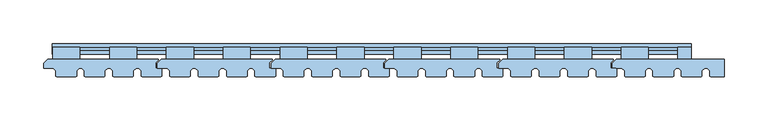
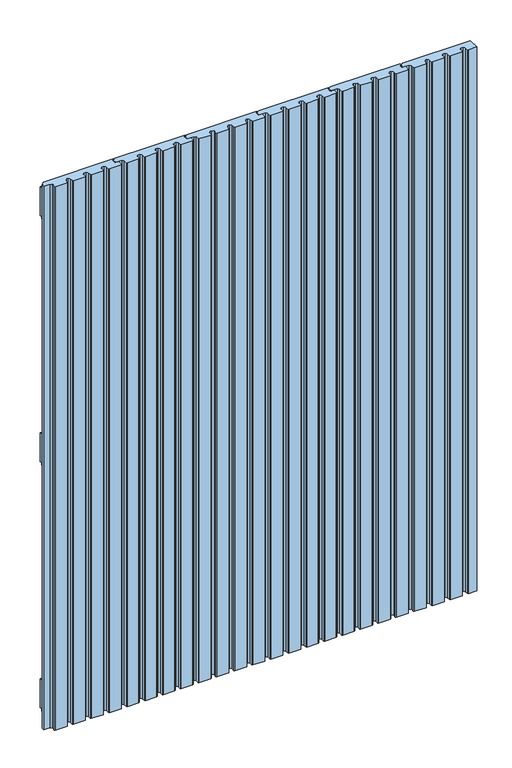
"""IFC4 building model written with IfcOpenShell, lengths in millimetres: window geometry."""

from ifc_helpers import new_model, si_unit, frame, origin, place, context, project, spatial, polyline, outline, extrude, source, transform, mapped, element, save


def window_a2ed0726(model_context):
    return source(origin(), model_context, "Body", "SweptSolid", [
        extrude(outline(polyline([(210.0, -73.0), (207.0, -70.0), (196.0, -70.0), (196.0, -64.5), (200.5, -60.0), (327.1, -60.0), (327.1, -60.9), (324.0, -64.0), (324.0, -70.0), (330.0, -70.0), (331.0, -71.0), (331.0, -79.0), (330.0, -80.0), (308.5, -80.0), (307.5, -79.0), (307.5, -73.0), (304.5, -70.0), (301.5, -70.0), (298.5, -73.0), (298.5, -79.0), (297.5, -80.0), (276.0, -80.0), (275.0, -79.0), (275.0, -73.0), (272.0, -70.0), (269.0, -70.0), (266.0, -73.0), (266.0, -79.0), (265.0, -80.0), (243.5, -80.0), (242.5, -79.0), (242.5, -73.0), (239.5, -70.0), (236.5, -70.0), (233.5, -73.0), (233.5, -79.0), (232.5, -80.0), (211.0, -80.0), (210.0, -79.0), (210.0, -73.0)])), frame((0.0, 0.0, 100.0), z_axis=(0.0, 0.0, 1.0), x_axis=(1.0, 0.0, 0.0)), (0.0, 0.0, 1.0), 1041.0),
        extrude(outline(polyline([(80.0, -73.0), (77.0, -70.0), (66.0, -70.0), (66.0, -64.5), (70.5, -60.0), (197.1, -60.0), (197.1, -60.9), (194.0, -64.0), (194.0, -70.0), (200.0, -70.0), (201.0, -71.0), (201.0, -79.0), (200.0, -80.0), (178.5, -80.0), (177.5, -79.0), (177.5, -73.0), (174.5, -70.0), (171.5, -70.0), (168.5, -73.0), (168.5, -79.0), (167.5, -80.0), (146.0, -80.0), (145.0, -79.0), (145.0, -73.0), (142.0, -70.0), (139.0, -70.0), (136.0, -73.0), (136.0, -79.0), (135.0, -80.0), (113.5, -80.0), (112.5, -79.0), (112.5, -73.0), (109.5, -70.0), (106.5, -70.0), (103.5, -73.0), (103.5, -79.0), (102.5, -80.0), (81.0, -80.0), (80.0, -79.0), (80.0, -73.0)])), frame((0.0, 0.0, 100.0), z_axis=(0.0, 0.0, 1.0), x_axis=(1.0, 0.0, 0.0)), (0.0, 0.0, 1.0), 1041.0),
        extrude(outline(polyline([(-50.0, -73.0), (-53.0, -70.0), (-64.0, -70.0), (-64.0, -64.5), (-59.5, -60.0), (67.1, -60.0), (67.1, -60.9), (64.0, -64.0), (64.0, -70.0), (70.0, -70.0), (71.0, -71.0), (71.0, -79.0), (70.0, -80.0), (48.5, -80.0), (47.5, -79.0), (47.5, -73.0), (44.5, -70.0), (41.5, -70.0), (38.5, -73.0), (38.5, -79.0), (37.5, -80.0), (16.0, -80.0), (15.0, -79.0), (15.0, -73.0), (12.0, -70.0), (9.0, -70.0), (6.0, -73.0), (6.0, -79.0), (5.0, -80.0), (-16.5, -80.0), (-17.5, -79.0), (-17.5, -73.0), (-20.5, -70.0), (-23.5, -70.0), (-26.5, -73.0), (-26.5, -79.0), (-27.5, -80.0), (-49.0, -80.0), (-50.0, -79.0), (-50.0, -73.0)])), frame((0.0, 0.0, 100.0), z_axis=(0.0, 0.0, 1.0), x_axis=(1.0, 0.0, 0.0)), (0.0, 0.0, 1.0), 1041.0),
        extrude(outline(polyline([(-180.0, -73.0), (-183.0, -70.0), (-194.0, -70.0), (-194.0, -64.5), (-189.5, -60.0), (-62.9, -60.0), (-62.9, -60.9), (-66.0, -64.0), (-66.0, -70.0), (-60.0, -70.0), (-59.0, -71.0), (-59.0, -79.0), (-60.0, -80.0), (-81.5, -80.0), (-82.5, -79.0), (-82.5, -73.0), (-85.5, -70.0), (-88.5, -70.0), (-91.5, -73.0), (-91.5, -79.0), (-92.5, -80.0), (-114.0, -80.0), (-115.0, -79.0), (-115.0, -73.0), (-118.0, -70.0), (-121.0, -70.0), (-124.0, -73.0), (-124.0, -79.0), (-125.0, -80.0), (-146.5, -80.0), (-147.5, -79.0), (-147.5, -73.0), (-150.5, -70.0), (-153.5, -70.0), (-156.5, -73.0), (-156.5, -79.0), (-157.5, -80.0), (-179.0, -80.0), (-180.0, -79.0), (-180.0, -73.0)])), frame((0.0, 0.0, 100.0), z_axis=(0.0, 0.0, 1.0), x_axis=(1.0, 0.0, 0.0)), (0.0, 0.0, 1.0), 1041.0),
        extrude(outline(polyline([(340.0, -73.0), (337.0, -70.0), (326.0, -70.0), (326.0, -64.5), (330.5, -60.0), (454.0, -60.0), (454.0, -80.0), (438.5, -80.0), (437.5, -79.0), (437.5, -73.0), (434.5, -70.0), (431.5, -70.0), (428.5, -73.0), (428.5, -79.0), (427.5, -80.0), (406.0, -80.0), (405.0, -79.0), (405.0, -73.0), (402.0, -70.0), (399.0, -70.0), (396.0, -73.0), (396.0, -79.0), (395.0, -80.0), (373.5, -80.0), (372.5, -79.0), (372.5, -73.0), (369.5, -70.0), (366.5, -70.0), (363.5, -73.0), (363.5, -79.0), (362.5, -80.0), (341.0, -80.0), (340.0, -79.0), (340.0, -73.0)])), frame((0.0, 0.0, 100.0), z_axis=(0.0, 0.0, 1.0), x_axis=(1.0, 0.0, 0.0)), (0.0, 0.0, 1.0), 1041.0),
        extrude(outline(polyline([(-310.0, -73.0), (-313.0, -70.0), (-324.0, -70.0), (-324.0, -64.5), (-319.5, -60.0), (-192.9, -60.0), (-192.9, -60.9), (-196.0, -64.0), (-196.0, -70.0), (-190.0, -70.0), (-189.0, -71.0), (-189.0, -79.0), (-190.0, -80.0), (-211.5, -80.0), (-212.5, -79.0), (-212.5, -73.0), (-215.5, -70.0), (-218.5, -70.0), (-221.5, -73.0), (-221.5, -79.0), (-222.5, -80.0), (-244.0, -80.0), (-245.0, -79.0), (-245.0, -73.0), (-248.0, -70.0), (-251.0, -70.0), (-254.0, -73.0), (-254.0, -79.0), (-255.0, -80.0), (-276.5, -80.0), (-277.5, -79.0), (-277.5, -73.0), (-280.5, -70.0), (-283.5, -70.0), (-286.5, -73.0), (-286.5, -79.0), (-287.5, -80.0), (-309.0, -80.0), (-310.0, -79.0), (-310.0, -73.0)])), frame((0.0, 0.0, 100.0), z_axis=(0.0, 0.0, 1.0), x_axis=(1.0, 0.0, 0.0)), (0.0, 0.0, 1.0), 1041.0),
        extrude(outline(polyline([(-54.1, 648.0936804), (-54.1, 592.9063196), (-49.9, 592.9063196), (-49.9, 596.9063196), (-46.1, 596.9063196), (-46.1, 589.0), (-60.0, 589.0), (-60.0, 652.0), (-46.1, 652.0), (-46.1, 644.0936804), (-49.9, 644.0936804), (-49.9, 648.0936804), (-54.1, 648.0936804)])), frame((206.3, 0.0, 0.0), z_axis=(1.0, 0.0, 0.0), x_axis=(0.0, 1.0, 0.0)), (0.0, 0.0, 1.0), 31.0),
        extrude(outline(polyline([(-54.0, 1063.9063196), (-49.8, 1063.9063196), (-49.8, 1067.9063196), (-46.0, 1067.9063196), (-46.0, 1060.0), (-59.9, 1060.0), (-59.9, 1123.0), (-46.0, 1123.0), (-46.0, 1115.0936804), (-49.8, 1115.0936804), (-49.8, 1119.0936804), (-54.0, 1119.0936804), (-54.0, 1063.9063196)])), frame((206.3, 0.0, 0.0), z_axis=(1.0, 0.0, 0.0), x_axis=(0.0, 1.0, 0.0)), (0.0, 0.0, 1.0), 31.0),
        extrude(outline(polyline([(-54.0, 177.0936804), (-54.0, 121.9063196), (-49.8, 121.9063196), (-49.8, 125.9063196), (-46.0, 125.9063196), (-46.0, 118.0), (-59.9, 118.0), (-59.9, 181.0), (-46.0, 181.0), (-46.0, 173.0936804), (-49.8, 173.0936804), (-49.8, 177.0936804), (-54.0, 177.0936804)])), frame((206.3, 0.0, 0.0), z_axis=(1.0, 0.0, 0.0), x_axis=(0.0, 1.0, 0.0)), (0.0, 0.0, 1.0), 31.0),
        extrude(outline(polyline([(-54.1, 648.0936804), (-54.1, 592.9063196), (-49.9, 592.9063196), (-49.9, 596.9063196), (-46.1, 596.9063196), (-46.1, 589.0), (-60.0, 589.0), (-60.0, 652.0), (-46.1, 652.0), (-46.1, 644.0936804), (-49.9, 644.0936804), (-49.9, 648.0936804), (-54.1, 648.0936804)])), frame((271.25, 0.0, 0.0), z_axis=(1.0, 0.0, 0.0), x_axis=(0.0, 1.0, 0.0)), (0.0, 0.0, 1.0), 31.0),
        extrude(outline(polyline([(-54.0, 1063.9063196), (-49.8, 1063.9063196), (-49.8, 1067.9063196), (-46.0, 1067.9063196), (-46.0, 1060.0), (-59.9, 1060.0), (-59.9, 1123.0), (-46.0, 1123.0), (-46.0, 1115.0936804), (-49.8, 1115.0936804), (-49.8, 1119.0936804), (-54.0, 1119.0936804), (-54.0, 1063.9063196)])), frame((271.25, 0.0, 0.0), z_axis=(1.0, 0.0, 0.0), x_axis=(0.0, 1.0, 0.0)), (0.0, 0.0, 1.0), 31.0),
        extrude(outline(polyline([(-54.0, 177.0936804), (-54.0, 121.9063196), (-49.8, 121.9063196), (-49.8, 125.9063196), (-46.0, 125.9063196), (-46.0, 118.0), (-59.9, 118.0), (-59.9, 181.0), (-46.0, 181.0), (-46.0, 173.0936804), (-49.8, 173.0936804), (-49.8, 177.0936804), (-54.0, 177.0936804)])), frame((271.25, 0.0, 0.0), z_axis=(1.0, 0.0, 0.0), x_axis=(0.0, 1.0, 0.0)), (0.0, 0.0, 1.0), 31.0),
        extrude(outline(polyline([(-54.1, 648.0936804), (-54.1, 592.9063196), (-49.9, 592.9063196), (-49.9, 596.9063196), (-46.1, 596.9063196), (-46.1, 589.0), (-60.0, 589.0), (-60.0, 652.0), (-46.1, 652.0), (-46.1, 644.0936804), (-49.9, 644.0936804), (-49.9, 648.0936804), (-54.1, 648.0936804)])), frame((76.3, 0.0, 0.0), z_axis=(1.0, 0.0, 0.0), x_axis=(0.0, 1.0, 0.0)), (0.0, 0.0, 1.0), 31.0),
        extrude(outline(polyline([(-54.0, 1063.9063196), (-49.8, 1063.9063196), (-49.8, 1067.9063196), (-46.0, 1067.9063196), (-46.0, 1060.0), (-59.9, 1060.0), (-59.9, 1123.0), (-46.0, 1123.0), (-46.0, 1115.0936804), (-49.8, 1115.0936804), (-49.8, 1119.0936804), (-54.0, 1119.0936804), (-54.0, 1063.9063196)])), frame((76.3, 0.0, 0.0), z_axis=(1.0, 0.0, 0.0), x_axis=(0.0, 1.0, 0.0)), (0.0, 0.0, 1.0), 31.0),
        extrude(outline(polyline([(-54.0, 177.0936804), (-54.0, 121.9063196), (-49.8, 121.9063196), (-49.8, 125.9063196), (-46.0, 125.9063196), (-46.0, 118.0), (-59.9, 118.0), (-59.9, 181.0), (-46.0, 181.0), (-46.0, 173.0936804), (-49.8, 173.0936804), (-49.8, 177.0936804), (-54.0, 177.0936804)])), frame((76.3, 0.0, 0.0), z_axis=(1.0, 0.0, 0.0), x_axis=(0.0, 1.0, 0.0)), (0.0, 0.0, 1.0), 31.0),
        extrude(outline(polyline([(-54.1, 648.0936804), (-54.1, 592.9063196), (-49.9, 592.9063196), (-49.9, 596.9063196), (-46.1, 596.9063196), (-46.1, 589.0), (-60.0, 589.0), (-60.0, 652.0), (-46.1, 652.0), (-46.1, 644.0936804), (-49.9, 644.0936804), (-49.9, 648.0936804), (-54.1, 648.0936804)])), frame((141.25, 0.0, 0.0), z_axis=(1.0, 0.0, 0.0), x_axis=(0.0, 1.0, 0.0)), (0.0, 0.0, 1.0), 31.0),
        extrude(outline(polyline([(-54.0, 1063.9063196), (-49.8, 1063.9063196), (-49.8, 1067.9063196), (-46.0, 1067.9063196), (-46.0, 1060.0), (-59.9, 1060.0), (-59.9, 1123.0), (-46.0, 1123.0), (-46.0, 1115.0936804), (-49.8, 1115.0936804), (-49.8, 1119.0936804), (-54.0, 1119.0936804), (-54.0, 1063.9063196)])), frame((141.25, 0.0, 0.0), z_axis=(1.0, 0.0, 0.0), x_axis=(0.0, 1.0, 0.0)), (0.0, 0.0, 1.0), 31.0),
        extrude(outline(polyline([(-54.0, 177.0936804), (-54.0, 121.9063196), (-49.8, 121.9063196), (-49.8, 125.9063196), (-46.0, 125.9063196), (-46.0, 118.0), (-59.9, 118.0), (-59.9, 181.0), (-46.0, 181.0), (-46.0, 173.0936804), (-49.8, 173.0936804), (-49.8, 177.0936804), (-54.0, 177.0936804)])), frame((141.25, 0.0, 0.0), z_axis=(1.0, 0.0, 0.0), x_axis=(0.0, 1.0, 0.0)), (0.0, 0.0, 1.0), 31.0),
        extrude(outline(polyline([(-54.1, 592.9063196), (-49.9, 592.9063196), (-49.9, 596.9063196), (-46.1, 596.9063196), (-46.1, 589.0), (-60.0, 589.0), (-60.0, 652.0), (-46.1, 652.0), (-46.1, 644.0936804), (-49.9, 644.0936804), (-49.9, 648.0936804), (-54.1, 648.0936804), (-54.1, 592.9063196)])), frame((336.0, 0.0, 0.0), z_axis=(1.0, 0.0, 0.0), x_axis=(0.0, 1.0, 0.0)), (0.0, 0.0, 1.0), 31.0),
        extrude(outline(polyline([(-54.0, 1063.9063196), (-49.8, 1063.9063196), (-49.8, 1067.9063196), (-46.0, 1067.9063196), (-46.0, 1060.0), (-59.9, 1060.0), (-59.9, 1123.0), (-46.0, 1123.0), (-46.0, 1115.0936804), (-49.8, 1115.0936804), (-49.8, 1119.0936804), (-54.0, 1119.0936804), (-54.0, 1063.9063196)])), frame((336.0, 0.0, 0.0), z_axis=(1.0, 0.0, 0.0), x_axis=(0.0, 1.0, 0.0)), (0.0, 0.0, 1.0), 31.0),
        extrude(outline(polyline([(-54.0, 177.0936804), (-54.0, 121.9063196), (-49.8, 121.9063196), (-49.8, 125.9063196), (-46.0, 125.9063196), (-46.0, 118.0), (-59.9, 118.0), (-59.9, 181.0), (-46.0, 181.0), (-46.0, 173.0936804), (-49.8, 173.0936804), (-49.8, 177.0936804), (-54.0, 177.0936804)])), frame((336.0, 0.0, 0.0), z_axis=(1.0, 0.0, 0.0), x_axis=(0.0, 1.0, 0.0)), (0.0, 0.0, 1.0), 31.0),
        extrude(outline(polyline([(-54.1, 592.9063196), (-49.9, 592.9063196), (-49.9, 596.9063196), (-46.1, 596.9063196), (-46.1, 589.0), (-60.0, 589.0), (-60.0, 652.0), (-46.1, 652.0), (-46.1, 644.0936804), (-49.9, 644.0936804), (-49.9, 648.0936804), (-54.1, 648.0936804), (-54.1, 592.9063196)])), frame((-248.7, 0.0, 0.0), z_axis=(1.0, 0.0, 0.0), x_axis=(0.0, 1.0, 0.0)), (0.0, 0.0, 1.0), 31.0),
        extrude(outline(polyline([(-54.0, 1063.9063196), (-49.8, 1063.9063196), (-49.8, 1067.9063196), (-46.0, 1067.9063196), (-46.0, 1060.0), (-59.9, 1060.0), (-59.9, 1123.0), (-46.0, 1123.0), (-46.0, 1115.0936804), (-49.8, 1115.0936804), (-49.8, 1119.0936804), (-54.0, 1119.0936804), (-54.0, 1063.9063196)])), frame((-248.7, 0.0, 0.0), z_axis=(1.0, 0.0, 0.0), x_axis=(0.0, 1.0, 0.0)), (0.0, 0.0, 1.0), 31.0),
        extrude(outline(polyline([(-54.0, 177.0936804), (-54.0, 121.9063196), (-49.8, 121.9063196), (-49.8, 125.9063196), (-46.0, 125.9063196), (-46.0, 118.0), (-59.9, 118.0), (-59.9, 181.0), (-46.0, 181.0), (-46.0, 173.0936804), (-49.8, 173.0936804), (-49.8, 177.0936804), (-54.0, 177.0936804)])), frame((-248.7, 0.0, 0.0), z_axis=(1.0, 0.0, 0.0), x_axis=(0.0, 1.0, 0.0)), (0.0, 0.0, 1.0), 31.0),
        extrude(outline(polyline([(-54.1, 648.0936804), (-54.1, 592.9063196), (-49.9, 592.9063196), (-49.9, 596.9063196), (-46.1, 596.9063196), (-46.1, 589.0), (-60.0, 589.0), (-60.0, 652.0), (-46.1, 652.0), (-46.1, 644.0936804), (-49.9, 644.0936804), (-49.9, 648.0936804), (-54.1, 648.0936804)])), frame((-53.7, 0.0, 0.0), z_axis=(1.0, 0.0, 0.0), x_axis=(0.0, 1.0, 0.0)), (0.0, 0.0, 1.0), 31.0),
        extrude(outline(polyline([(-54.0, 1063.9063196), (-49.8, 1063.9063196), (-49.8, 1067.9063196), (-46.0, 1067.9063196), (-46.0, 1060.0), (-59.9, 1060.0), (-59.9, 1123.0), (-46.0, 1123.0), (-46.0, 1115.0936804), (-49.8, 1115.0936804), (-49.8, 1119.0936804), (-54.0, 1119.0936804), (-54.0, 1063.9063196)])), frame((-53.7, 0.0, 0.0), z_axis=(1.0, 0.0, 0.0), x_axis=(0.0, 1.0, 0.0)), (0.0, 0.0, 1.0), 31.0),
        extrude(outline(polyline([(-54.0, 177.0936804), (-54.0, 121.9063196), (-49.8, 121.9063196), (-49.8, 125.9063196), (-46.0, 125.9063196), (-46.0, 118.0), (-59.9, 118.0), (-59.9, 181.0), (-46.0, 181.0), (-46.0, 173.0936804), (-49.8, 173.0936804), (-49.8, 177.0936804), (-54.0, 177.0936804)])), frame((-53.7, 0.0, 0.0), z_axis=(1.0, 0.0, 0.0), x_axis=(0.0, 1.0, 0.0)), (0.0, 0.0, 1.0), 31.0),
        extrude(outline(polyline([(-54.1, 648.0936804), (-54.1, 592.9063196), (-49.9, 592.9063196), (-49.9, 596.9063196), (-46.1, 596.9063196), (-46.1, 589.0), (-60.0, 589.0), (-60.0, 652.0), (-46.1, 652.0), (-46.1, 644.0936804), (-49.9, 644.0936804), (-49.9, 648.0936804), (-54.1, 648.0936804)])), frame((-183.7, 0.0, 0.0), z_axis=(1.0, 0.0, 0.0), x_axis=(0.0, 1.0, 0.0)), (0.0, 0.0, 1.0), 31.0),
        extrude(outline(polyline([(-54.0, 1063.9063196), (-49.8, 1063.9063196), (-49.8, 1067.9063196), (-46.0, 1067.9063196), (-46.0, 1060.0), (-59.9, 1060.0), (-59.9, 1123.0), (-46.0, 1123.0), (-46.0, 1115.0936804), (-49.8, 1115.0936804), (-49.8, 1119.0936804), (-54.0, 1119.0936804), (-54.0, 1063.9063196)])), frame((-183.7, 0.0, 0.0), z_axis=(1.0, 0.0, 0.0), x_axis=(0.0, 1.0, 0.0)), (0.0, 0.0, 1.0), 31.0),
        extrude(outline(polyline([(-54.0, 177.0936804), (-54.0, 121.9063196), (-49.8, 121.9063196), (-49.8, 125.9063196), (-46.0, 125.9063196), (-46.0, 118.0), (-59.9, 118.0), (-59.9, 181.0), (-46.0, 181.0), (-46.0, 173.0936804), (-49.8, 173.0936804), (-49.8, 177.0936804), (-54.0, 177.0936804)])), frame((-183.7, 0.0, 0.0), z_axis=(1.0, 0.0, 0.0), x_axis=(0.0, 1.0, 0.0)), (0.0, 0.0, 1.0), 31.0),
        extrude(outline(polyline([(-54.1, 648.0936804), (-54.1, 592.9063196), (-49.9, 592.9063196), (-49.9, 596.9063196), (-46.1, 596.9063196), (-46.1, 589.0), (-60.0, 589.0), (-60.0, 652.0), (-46.1, 652.0), (-46.1, 644.0936804), (-49.9, 644.0936804), (-49.9, 648.0936804), (-54.1, 648.0936804)])), frame((11.25, 0.0, 0.0), z_axis=(1.0, 0.0, 0.0), x_axis=(0.0, 1.0, 0.0)), (0.0, 0.0, 1.0), 31.0),
        extrude(outline(polyline([(-54.0, 1063.9063196), (-49.8, 1063.9063196), (-49.8, 1067.9063196), (-46.0, 1067.9063196), (-46.0, 1060.0), (-59.9, 1060.0), (-59.9, 1123.0), (-46.0, 1123.0), (-46.0, 1115.0936804), (-49.8, 1115.0936804), (-49.8, 1119.0936804), (-54.0, 1119.0936804), (-54.0, 1063.9063196)])), frame((11.25, 0.0, 0.0), z_axis=(1.0, 0.0, 0.0), x_axis=(0.0, 1.0, 0.0)), (0.0, 0.0, 1.0), 31.0),
        extrude(outline(polyline([(-54.0, 177.0936804), (-54.0, 121.9063196), (-49.8, 121.9063196), (-49.8, 125.9063196), (-46.0, 125.9063196), (-46.0, 118.0), (-59.9, 118.0), (-59.9, 181.0), (-46.0, 181.0), (-46.0, 173.0936804), (-49.8, 173.0936804), (-49.8, 177.0936804), (-54.0, 177.0936804)])), frame((11.25, 0.0, 0.0), z_axis=(1.0, 0.0, 0.0), x_axis=(0.0, 1.0, 0.0)), (0.0, 0.0, 1.0), 31.0),
        extrude(outline(polyline([(-54.1, 648.0936804), (-54.1, 592.9063196), (-49.9, 592.9063196), (-49.9, 596.9063196), (-46.1, 596.9063196), (-46.1, 589.0), (-60.0, 589.0), (-60.0, 652.0), (-46.1, 652.0), (-46.1, 644.0936804), (-49.9, 644.0936804), (-49.9, 648.0936804), (-54.1, 648.0936804)])), frame((-118.75, 0.0, 0.0), z_axis=(1.0, 0.0, 0.0), x_axis=(0.0, 1.0, 0.0)), (0.0, 0.0, 1.0), 31.0),
        extrude(outline(polyline([(-54.0, 1063.9063196), (-49.8, 1063.9063196), (-49.8, 1067.9063196), (-46.0, 1067.9063196), (-46.0, 1060.0), (-59.9, 1060.0), (-59.9, 1123.0), (-46.0, 1123.0), (-46.0, 1115.0936804), (-49.8, 1115.0936804), (-49.8, 1119.0936804), (-54.0, 1119.0936804), (-54.0, 1063.9063196)])), frame((-118.75, 0.0, 0.0), z_axis=(1.0, 0.0, 0.0), x_axis=(0.0, 1.0, 0.0)), (0.0, 0.0, 1.0), 31.0),
        extrude(outline(polyline([(-54.0, 177.0936804), (-54.0, 121.9063196), (-49.8, 121.9063196), (-49.8, 125.9063196), (-46.0, 125.9063196), (-46.0, 118.0), (-59.9, 118.0), (-59.9, 181.0), (-46.0, 181.0), (-46.0, 173.0936804), (-49.8, 173.0936804), (-49.8, 177.0936804), (-54.0, 177.0936804)])), frame((-118.75, 0.0, 0.0), z_axis=(1.0, 0.0, 0.0), x_axis=(0.0, 1.0, 0.0)), (0.0, 0.0, 1.0), 31.0),
        extrude(outline(polyline([(-54.1, 592.9063196), (-49.9, 592.9063196), (-49.9, 596.9063196), (-46.1, 596.9063196), (-46.1, 589.0), (-60.0, 589.0), (-60.0, 652.0), (-46.1, 652.0), (-46.1, 644.0936804), (-49.9, 644.0936804), (-49.9, 648.0936804), (-54.1, 648.0936804), (-54.1, 592.9063196)])), frame((401.0, 0.0, 0.0), z_axis=(1.0, 0.0, 0.0), x_axis=(0.0, 1.0, 0.0)), (0.0, 0.0, 1.0), 15.5378851),
        extrude(outline(polyline([(-54.0, 1063.9063196), (-49.8, 1063.9063196), (-49.8, 1067.9063196), (-46.0, 1067.9063196), (-46.0, 1060.0), (-59.9, 1060.0), (-59.9, 1123.0), (-46.0, 1123.0), (-46.0, 1115.0936804), (-49.8, 1115.0936804), (-49.8, 1119.0936804), (-54.0, 1119.0936804), (-54.0, 1063.9063196)])), frame((401.0, 0.0, 0.0), z_axis=(1.0, 0.0, 0.0), x_axis=(0.0, 1.0, 0.0)), (0.0, 0.0, 1.0), 15.5),
        extrude(outline(polyline([(-54.0, 177.0936804), (-54.0, 121.9063196), (-49.8, 121.9063196), (-49.8, 125.9063196), (-46.0, 125.9063196), (-46.0, 118.0), (-59.9, 118.0), (-59.9, 181.0), (-46.0, 181.0), (-46.0, 173.0936804), (-49.8, 173.0936804), (-49.8, 177.0936804), (-54.0, 177.0936804)])), frame((401.0, 0.0, 0.0), z_axis=(1.0, 0.0, 0.0), x_axis=(0.0, 1.0, 0.0)), (0.0, 0.0, 1.0), 15.5),
        extrude(outline(polyline([(-54.1, 592.9063196), (-49.9, 592.9063196), (-49.9, 596.9063196), (-46.1, 596.9063196), (-46.1, 589.0), (-60.0, 589.0), (-60.0, 652.0), (-46.1, 652.0), (-46.1, 644.0936804), (-49.9, 644.0936804), (-49.9, 648.0936804), (-54.1, 648.0936804), (-54.1, 592.9063196)])), frame((-313.7, 0.0, 0.0), z_axis=(1.0, 0.0, 0.0), x_axis=(0.0, 1.0, 0.0)), (0.0, 0.0, 1.0), 31.0),
        extrude(outline(polyline([(-54.0, 1063.9063196), (-49.8, 1063.9063196), (-49.8, 1067.9063196), (-46.0, 1067.9063196), (-46.0, 1060.0), (-59.9, 1060.0), (-59.9, 1123.0), (-46.0, 1123.0), (-46.0, 1115.0936804), (-49.8, 1115.0936804), (-49.8, 1119.0936804), (-54.0, 1119.0936804), (-54.0, 1063.9063196)])), frame((-313.7, 0.0, 0.0), z_axis=(1.0, 0.0, 0.0), x_axis=(0.0, 1.0, 0.0)), (0.0, 0.0, 1.0), 31.0),
        extrude(outline(polyline([(-54.0, 177.0936804), (-54.0, 121.9063196), (-49.8, 121.9063196), (-49.8, 125.9063196), (-46.0, 125.9063196), (-46.0, 118.0), (-59.9, 118.0), (-59.9, 181.0), (-46.0, 181.0), (-46.0, 173.0936804), (-49.8, 173.0936804), (-49.8, 177.0936804), (-54.0, 177.0936804)])), frame((-313.7, 0.0, 0.0), z_axis=(1.0, 0.0, 0.0), x_axis=(0.0, 1.0, 0.0)), (0.0, 0.0, 1.0), 31.0),
        extrude(outline(polyline([(-42.1, 648.0063196), (-42.1, 593.0063196), (-46.1, 593.0063196), (-46.1, 597.0063196), (-50.1, 597.0063196), (-50.1, 593.0063196), (-54.1, 593.0063196), (-54.1, 598.0063196), (-51.1, 598.0063196), (-51.1, 603.0063196), (-54.1, 603.0063196), (-54.1, 615.5063196), (-51.1, 615.5063196), (-51.1, 625.5063196), (-54.1, 625.5063196), (-54.1, 638.0063196), (-51.1, 638.0063196), (-51.1, 643.0063196), (-54.1, 643.0063196), (-54.1, 648.0063196), (-50.1, 648.0063196), (-50.1, 644.0063196), (-46.1, 644.0063196), (-46.1, 648.0063196), (-42.1, 648.0063196)])), frame((-314.0, 0.0, 0.0), z_axis=(1.0, 0.0, 0.0), x_axis=(0.0, 1.0, 0.0)), (0.0, 0.0, 1.0), 730.5),
        extrude(outline(polyline([(-42.0, 1119.0), (-42.0, 1064.0), (-46.0, 1064.0), (-46.0, 1068.0), (-50.0, 1068.0), (-50.0, 1064.0), (-54.0, 1064.0), (-54.0, 1069.0), (-51.0, 1069.0), (-51.0, 1074.0), (-54.0, 1074.0), (-54.0, 1086.5), (-51.0, 1086.5), (-51.0, 1096.5), (-54.0, 1096.5), (-54.0, 1109.0), (-51.0, 1109.0), (-51.0, 1114.0), (-54.0, 1114.0), (-54.0, 1119.0), (-50.0, 1119.0), (-50.0, 1115.0), (-46.0, 1115.0), (-46.0, 1119.0), (-42.0, 1119.0)])), frame((-314.0, 0.0, 0.0), z_axis=(1.0, 0.0, 0.0), x_axis=(0.0, 1.0, 0.0)), (0.0, 0.0, 1.0), 730.5),
        extrude(outline(polyline([(-42.0, 177.0), (-42.0, 122.0), (-46.0, 122.0), (-46.0, 126.0), (-50.0, 126.0), (-50.0, 122.0), (-54.0, 122.0), (-54.0, 127.0), (-51.0, 127.0), (-51.0, 132.0), (-54.0, 132.0), (-54.0, 144.5), (-51.0, 144.5), (-51.0, 154.5), (-54.0, 154.5), (-54.0, 167.0), (-51.0, 167.0), (-51.0, 172.0), (-54.0, 172.0), (-54.0, 177.0), (-50.0, 177.0), (-50.0, 173.0), (-46.0, 173.0), (-46.0, 177.0), (-42.0, 177.0)])), frame((-314.0, 0.0, 0.0), z_axis=(1.0, 0.0, 0.0), x_axis=(0.0, 1.0, 0.0)), (0.0, 0.0, 1.0), 730.5),
    ])


if __name__ == "__main__":
    model = new_model("IFC4")
    model_context = context("Model", 3, world=origin())
    ifc_project = project(units=[si_unit("LENGTHUNIT", "METRE", prefix="MILLI")], contexts=[model_context])
    site = spatial("IfcSite", under=ifc_project)
    building = spatial("IfcBuilding", under=site)
    placement = place(None, origin())
    window_shape = window_a2ed0726(model_context)
    element("IfcWindow", 1, at=placement, inside=building, context=model_context, shape_type="MappedRepresentation", body=[
        mapped(window_shape, transform((0.0, 0.0, 0.0), x_axis=(1.0, 0.0, 0.0), y_axis=(0.0, 1.0, 0.0), z_axis=(0.0, 0.0, 1.0))),
    ])
    save(model, "model.ifc")
